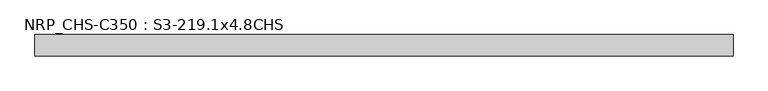
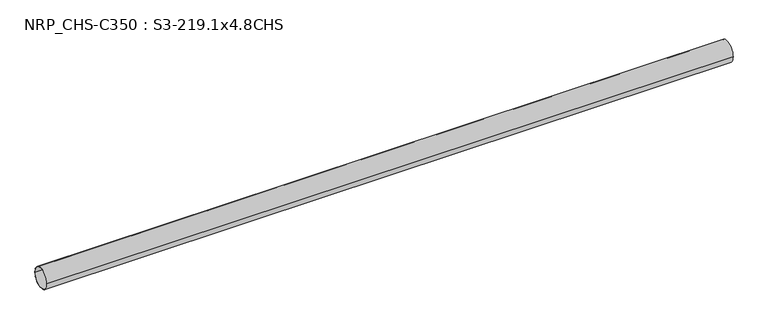
"""IFC4 building model written with IfcOpenShell, lengths in millimetres: beam geometry, NRP_CHS-C350 : S3-219.1x4.8CHS."""

from ifc_helpers import new_model, si_unit, point, frame, origin, origin_2d, place, context, project, spatial, circle_curve, trimmed, segment, composite_curve, outline, extrude, source, transform, mapped, element, save


def nrp_chs_c350_s3_219_1x4_8chs_188fb97b(model_context):
    return source(origin(), model_context, "Body", "SweptSolid", [
        extrude(outline(composite_curve([segment(trimmed(circle_curve(origin_2d(), 109.55), [point((-109.55, 0.0))], [point((109.55, 0.0))], False, "CARTESIAN"), True, "CONTINUOUS"), segment(trimmed(circle_curve(origin_2d(), 109.55), [point((109.55, 0.0))], [point((-109.55, 0.0))], False, "CARTESIAN"), True, "CONTINUOUS")], self_intersect=False), holes=[composite_curve([segment(trimmed(circle_curve(origin_2d(), 104.75), [point((104.75, 0.0))], [point((-104.75, 0.0))], True, "CARTESIAN"), True, "CONTINUOUS"), segment(trimmed(circle_curve(origin_2d(), 104.75), [point((-104.75, 0.0))], [point((104.75, 0.0))], True, "CARTESIAN"), True, "CONTINUOUS")], self_intersect=False)]), frame((-3603.7, 0.0, 0.0), z_axis=(1.0, 0.0, 0.0), x_axis=(0.0, 1.0, 0.0)), (0.0, 0.0, 1.0), 7178.9),
    ])


if __name__ == "__main__":
    model = new_model("IFC4")
    model_context = context("Model", 3, world=origin())
    ifc_project = project(units=[si_unit("LENGTHUNIT", "METRE", prefix="MILLI")], contexts=[model_context])
    site = spatial("IfcSite", under=ifc_project)
    building = spatial("IfcBuilding", under=site)
    placement = place(None, origin())
    nrp_chs_c350_s3_219_1x4_8chs_shape = nrp_chs_c350_s3_219_1x4_8chs_188fb97b(model_context)
    element("IfcBeam", 1, ObjectType="NRP_CHS-C350 : S3-219.1x4.8CHS", at=placement, inside=building, context=model_context, shape_type="MappedRepresentation", body=[
        mapped(nrp_chs_c350_s3_219_1x4_8chs_shape, transform((0.0, 0.0, 0.0), x_axis=(1.0, 0.0, 0.0), y_axis=(0.0, 1.0, 0.0), z_axis=(0.0, 0.0, 1.0))),
    ])
    save(model, "model.ifc")
